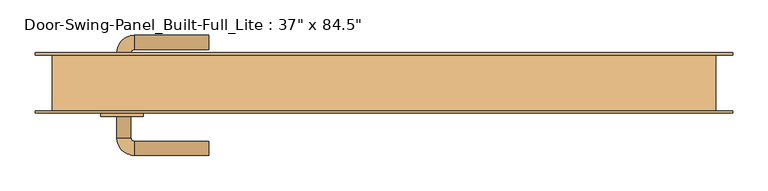
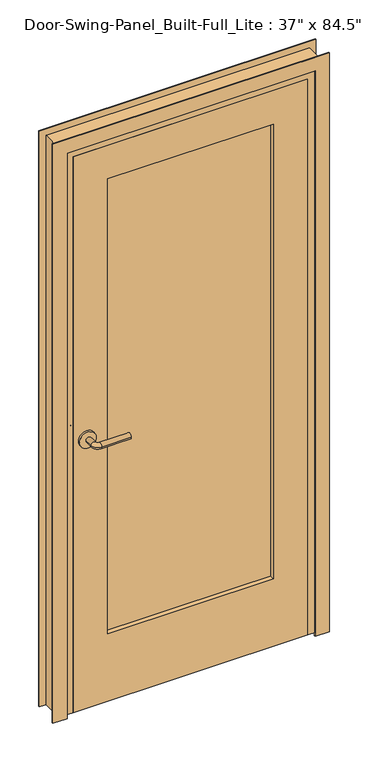
"""IFC4 building model written with IfcOpenShell, lengths in millimetres: door geometry."""

from ifc_helpers import new_model, si_unit, point, frame, frame_2d, origin, place, context, project, spatial, polyline, circle_curve, ellipse_curve, trimmed, segment, composite_curve, outline, extrude, faceted_brep, source, transform, mapped, element, save
from ifc_brep_helpers import plane_surface, cylinder_surface, revolved_surface, advanced_brep


def door_44aefc4b(model_context):
    return source(origin(), model_context, "Body", "SolidModel", [
        advanced_brep(
        [(-378.3, 6.4125, 1016.0), (-358.3, 6.4125, 1016.0), (-378.3, 36.4125, 1016.0), (-358.3, 36.4125, 1016.0), (-353.3, 41.4125, 1016.0), (-353.3, 61.4125, 1016.0), (-248.3, 61.4125, 1016.0), (-248.3, 41.4125, 1016.0)],
        [
            (0, 1, circle_curve(frame((-368.3, 6.4125, 1016.0), z_axis=(0.0, -1.0, 0.0), x_axis=(1.0, 0.0, 0.0)), 10.0)),
            (1, 0, circle_curve(frame((-368.3, 6.4125, 1016.0), z_axis=(0.0, -1.0, 0.0), x_axis=(1.0, 0.0, 0.0)), 10.0)),
            (0, 2),
            (2, 3, circle_curve(frame((-368.3, 36.4125, 1016.0), z_axis=(0.0, -1.0, 0.0), x_axis=(1.0, 0.0, 0.0)), 10.0)),
            (3, 1),
            (3, 2, circle_curve(frame((-368.3, 36.4125, 1016.0), z_axis=(0.0, -1.0, 0.0), x_axis=(1.0, 0.0, 0.0)), 10.0)),
            (4, 3, circle_curve(frame((-353.3, 36.4125, 1016.0), z_axis=(0.0, 0.0, 1.0), x_axis=(-1.0, 0.0, 0.0)), 5.0)),
            (2, 5, circle_curve(frame((-353.3, 36.4125, 1016.0), z_axis=(0.0, 0.0, -1.0), x_axis=(-1.0, 0.0, 0.0)), 25.0)),
            (5, 4, circle_curve(frame((-353.3, 51.4125, 1016.0), z_axis=(-1.0, 0.0, 0.0), x_axis=(0.0, -1.0, 0.0)), 10.0)),
            (4, 5, circle_curve(frame((-353.3, 51.4125, 1016.0), z_axis=(-1.0, 0.0, 0.0), x_axis=(0.0, -1.0, 0.0)), 10.0)),
            (6, 7, circle_curve(frame((-248.3, 51.4125, 1016.0), z_axis=(1.0, 0.0, 0.0), x_axis=(0.0, -1.0, 0.0)), 10.0)),
            (7, 6, circle_curve(frame((-248.3, 51.4125, 1016.0), z_axis=(1.0, 0.0, 0.0), x_axis=(0.0, -1.0, 0.0)), 10.0)),
            (5, 6),
            (7, 4),
        ],
        [
            plane_surface(frame((-368.3, 6.4125, 1016.0), z_axis=(0.0, -1.0, 0.0), x_axis=(0.0, 0.0, 1.0))),
            cylinder_surface(frame((-368.3, 6.4125, 1016.0), z_axis=(0.0, -1.0, 0.0), x_axis=(1.0, 0.0, 0.0)), 10.0),
            revolved_surface(trimmed(ellipse_curve(frame((-368.3, 36.4125, 1016.0), z_axis=(0.0, -1.0, 0.0), x_axis=(1.0, 0.0, 0.0)), 10.0, 10.0), [point((-378.3, 36.4125, 1016.0))], [point((-358.3, 36.4125, 1016.0))], True, "CARTESIAN"), (-353.3, 36.4125, 1016.0), (0.0, 0.0, -1.0)),
            revolved_surface(trimmed(ellipse_curve(frame((-368.3, 36.4125, 1016.0), z_axis=(0.0, -1.0, 0.0), x_axis=(1.0, 0.0, 0.0)), 10.0, 10.0), [point((-358.3, 36.4125, 1016.0))], [point((-378.3, 36.4125, 1016.0))], True, "CARTESIAN"), (-353.3, 36.4125, 1016.0), (0.0, 0.0, -1.0)),
            plane_surface(frame((-248.3, 51.4125, 1016.0), z_axis=(1.0, 0.0, 0.0), x_axis=(0.0, 0.0, 1.0))),
            cylinder_surface(frame((-353.3, 51.4125, 1016.0), z_axis=(-1.0, 0.0, 0.0), x_axis=(0.0, -1.0, 0.0)), 10.0),
        ],
        [
            (0, [[1, 2]]),
            (1, [[-1, 3, 4, 5]]),
            (1, [[-2, -5, 6, -3]]),
            (2, [[7, -4, 8, 9]]),
            (3, [[-8, -6, -7, 10]]),
            (4, [[11, 12]]),
            (5, [[-9, 13, -12, 14]]),
            (5, [[-10, -14, -11, -13]]),
        ],
    ),
        extrude(outline(composite_curve([segment(trimmed(circle_curve(frame_2d((1016.0, -370.8)), 30.0), [point((1016.0, -400.8))], [point((1016.0, -340.8))], False, "CARTESIAN"), True, "CONTINUOUS"), segment(trimmed(circle_curve(frame_2d((1016.0, -370.8)), 30.0), [point((1016.0, -340.8))], [point((1016.0, -400.8))], False, "CARTESIAN"), True, "CONTINUOUS")], self_intersect=False)), frame((0.0, -1.5875, 0.0), z_axis=(0.0, 1.0, 0.0), x_axis=(0.0, 0.0, 1.0)), (0.0, 0.0, 1.0), 8.0),
        advanced_brep(
        [(-378.3, -54.0375, 1016.0), (-358.3, -54.0375, 1016.0), (-358.3, -84.0375, 1016.0), (-378.3, -84.0375, 1016.0), (-353.3, -89.0375, 1016.0), (-353.3, -109.0375, 1016.0), (-248.3, -109.0375, 1016.0), (-248.3, -89.0375, 1016.0)],
        [
            (0, 1, circle_curve(frame((-368.3, -54.0375, 1016.0), z_axis=(0.0, 1.0, 0.0), x_axis=(1.0, 0.0, 0.0)), 10.0)),
            (1, 0, circle_curve(frame((-368.3, -54.0375, 1016.0), z_axis=(0.0, 1.0, 0.0), x_axis=(1.0, 0.0, 0.0)), 10.0)),
            (1, 2),
            (2, 3, circle_curve(frame((-368.3, -84.0375, 1016.0), z_axis=(0.0, 1.0, 0.0), x_axis=(1.0, 0.0, 0.0)), 10.0)),
            (3, 0),
            (3, 2, circle_curve(frame((-368.3, -84.0375, 1016.0), z_axis=(0.0, 1.0, 0.0), x_axis=(1.0, 0.0, 0.0)), 10.0)),
            (4, 5, circle_curve(frame((-353.3, -99.0375, 1016.0), z_axis=(-1.0, 0.0, 0.0), x_axis=(0.0, 1.0, 0.0)), 10.0)),
            (5, 3, circle_curve(frame((-353.3, -84.0375, 1016.0), z_axis=(0.0, 0.0, -1.0), x_axis=(-1.0, 0.0, 0.0)), 25.0)),
            (2, 4, circle_curve(frame((-353.3, -84.0375, 1016.0), z_axis=(0.0, 0.0, 1.0), x_axis=(-1.0, 0.0, 0.0)), 5.0)),
            (5, 4, circle_curve(frame((-353.3, -99.0375, 1016.0), z_axis=(-1.0, 0.0, 0.0), x_axis=(0.0, 1.0, 0.0)), 10.0)),
            (6, 7, circle_curve(frame((-248.3, -99.0375, 1016.0), z_axis=(1.0, 0.0, 0.0), x_axis=(0.0, 1.0, 0.0)), 10.0)),
            (7, 6, circle_curve(frame((-248.3, -99.0375, 1016.0), z_axis=(1.0, 0.0, 0.0), x_axis=(0.0, 1.0, 0.0)), 10.0)),
            (4, 7),
            (6, 5),
        ],
        [
            plane_surface(frame((-368.3, -54.0375, 1016.0), z_axis=(0.0, 1.0, 0.0), x_axis=(0.0, 0.0, 1.0))),
            cylinder_surface(frame((-368.3, -54.0375, 1016.0), z_axis=(0.0, 1.0, 0.0), x_axis=(1.0, 0.0, 0.0)), 10.0),
            revolved_surface(trimmed(ellipse_curve(frame((-368.3, -84.0375, 1016.0), z_axis=(0.0, -1.0, 0.0), x_axis=(1.0, 0.0, 0.0)), 10.0, 10.0), [point((-378.3, -84.0375, 1016.0))], [point((-358.3, -84.0375, 1016.0))], True, "CARTESIAN"), (-353.3, -84.0375, 1016.0), (0.0, 0.0, -1.0)),
            revolved_surface(trimmed(ellipse_curve(frame((-368.3, -84.0375, 1016.0), z_axis=(0.0, -1.0, 0.0), x_axis=(1.0, 0.0, 0.0)), 10.0, 10.0), [point((-358.3, -84.0375, 1016.0))], [point((-378.3, -84.0375, 1016.0))], True, "CARTESIAN"), (-353.3, -84.0375, 1016.0), (0.0, 0.0, -1.0)),
            plane_surface(frame((-248.3, -99.0375, 1016.0), z_axis=(1.0, 0.0, 0.0), x_axis=(0.0, 0.0, 1.0))),
            cylinder_surface(frame((-353.3, -99.0375, 1016.0), z_axis=(-1.0, 0.0, 0.0), x_axis=(0.0, 1.0, 0.0)), 10.0),
        ],
        [
            (0, [[1, 2]]),
            (1, [[3, 4, 5, -2]]),
            (1, [[-5, 6, -3, -1]]),
            (2, [[7, 8, -4, 9]]),
            (3, [[10, -9, -6, -8]]),
            (4, [[11, 12]]),
            (5, [[13, -11, 14, -7]]),
            (5, [[-14, -12, -13, -10]]),
        ],
    ),
        extrude(outline(composite_curve([segment(trimmed(circle_curve(frame_2d((1016.0, -370.8)), 30.0), [point((1016.0, -400.8))], [point((1016.0, -340.8))], False, "CARTESIAN"), True, "CONTINUOUS"), segment(trimmed(circle_curve(frame_2d((1016.0, -370.8)), 30.0), [point((1016.0, -340.8))], [point((1016.0, -400.8))], False, "CARTESIAN"), True, "CONTINUOUS")], self_intersect=False)), frame((0.0, -54.0375, 0.0), z_axis=(0.0, 1.0, 0.0), x_axis=(0.0, 0.0, 1.0)), (0.0, 0.0, 1.0), 8.0),
        extrude(outline(polyline([(-306.1009064, -27.9875799), (-306.1009064, -17.7005799), (306.1009064, -17.7005799), (306.1009064, -27.9875799), (-306.1009064, -27.9875799)])), frame((0.0, 0.0, 243.4336), z_axis=(0.0, 0.0, 1.0), x_axis=(1.0, 0.0, 0.0)), (0.0, 0.0, 1.0), 1735.6328),
        faceted_brep([(442.9128941, -49.2128264, -12.7), (442.9128941, -46.0375, -12.7), (493.7128941, -46.0375, -12.7), (493.7128941, -49.2128264, -12.7), (493.7128941, -49.2128264, 2170.1128941), (-493.7128941, -49.2128264, 2170.1128941), (-493.7128941, -49.2128264, -12.7), (-442.9128941, -49.2128264, -12.7), (-442.9128941, -49.2128264, 2119.3128941), (442.9128941, -49.2128264, 2119.3128941), (493.7128941, -46.0375, 2170.1128941), (442.9128941, -46.0375, 0.0), (469.9, -46.0375, 0.0), (469.9, -46.0375, 2146.3), (-469.9, -46.0375, 2146.3), (-469.9, -46.0375, 0.0), (-442.9128941, -46.0375, 0.0), (-442.9128941, -46.0375, -12.7), (-493.7128941, -46.0375, -12.7), (-493.7128941, -46.0375, 2170.1128941), (469.9, 33.3375, 0.0), (469.9, 33.3375, 2146.3), (493.7128941, 33.3375, 0.0), (493.7128941, 33.3375, 2170.1128941), (-493.7128941, 33.3375, 2170.1128941), (-493.7128941, 33.3375, 0.0), (-469.9, 33.3375, 0.0), (-469.9, 33.3375, 2146.3), (493.7128941, 36.5118471, 0.0), (493.7128941, 36.5118471, 2170.1128941), (442.9128941, 36.5118471, 0.0), (442.9128941, 36.5118471, 2119.3128941), (-442.9128941, 36.5118471, 2119.3128941), (-442.9128941, 36.5118471, 0.0), (-493.7128941, 36.5118471, 0.0), (-493.7128941, 36.5118471, 2170.1128941), (442.9128941, 33.3375, 0.0), (442.9128941, 33.3375, 2119.3128941), (419.6083941, 33.3375, 0.0), (419.6083941, 33.3375, 2096.0083941), (-419.6083941, 33.3375, 2096.0083941), (-419.6083941, 33.3375, 0.0), (-442.9128941, 33.3375, 0.0), (-442.9128941, 33.3375, 2119.3128941), (419.6083941, -46.0375, 0.0), (419.6083941, -46.0375, 2096.0083941), (442.9128941, -46.0375, 2119.3128941), (-442.9128941, -46.0375, 2119.3128941), (-419.6083941, -46.0375, 0.0), (-419.6083941, -46.0375, 2096.0083941)], [[[0, 1, 2, 3]], [[3, 4, 5, 6, 7, 8, 9, 0]], [[10, 4, 3, 2]], [[10, 2, 1, 11, 12, 13, 14, 15, 16, 17, 18, 19]], [[13, 12, 20, 21]], [[21, 20, 22, 23, 24, 25, 26, 27]], [[23, 22, 28, 29]], [[29, 28, 30, 31, 32, 33, 34, 35]], [[31, 30, 36, 37]], [[37, 36, 38, 39, 40, 41, 42, 43]], [[39, 38, 44, 45]], [[45, 44, 11, 46, 47, 16, 48, 49]], [[0, 9, 46, 11, 1]], [[7, 17, 16, 47, 8]], [[6, 18, 17, 7]], [[5, 19, 18, 6]], [[27, 26, 15, 14]], [[35, 34, 25, 24]], [[43, 42, 33, 32]], [[49, 48, 41, 40]], [[4, 10, 19, 5]], [[13, 21, 27, 14]], [[23, 29, 35, 24]], [[31, 37, 43, 32]], [[39, 45, 49, 40]], [[8, 47, 46, 9]], [[11, 44, 38, 36, 30, 28, 22, 20, 12]], [[15, 26, 25, 34, 33, 42, 41, 48, 16]]]),
        faceted_brep([(-419.6083941, -1.5875, 0.0), (419.6083941, -1.5875, 0.0), (419.6083941, -46.0375, 0.0), (-419.6083941, -46.0375, 0.0), (-419.6083941, -1.5875, 2096.0083941), (-419.6083941, -46.0375, 2096.0083941), (419.6083941, -46.0375, 2096.0083941), (-295.5345064, -46.0375, 254.0), (-295.5345064, -46.0375, 1968.5), (295.5345064, -46.0375, 1968.5), (295.5345064, -46.0375, 254.0), (419.6083941, -1.5875, 2096.0083941), (-313.0483921, -1.5875, 1986.0138857), (-313.0483921, -1.5875, 236.4861143), (313.0483921, -1.5875, 236.4861143), (313.0483921, -1.5875, 1986.0138857), (-295.5345064, -27.9875799, 1968.5), (-295.5345064, -27.9875799, 254.0), (-306.1009064, -27.9875799, 243.4336), (-306.1009064, -27.9875799, 1979.0664), (306.1009064, -27.9875799, 1979.0664), (306.1009064, -27.9875799, 243.4336), (295.5345064, -27.9875799, 254.0), (295.5345064, -27.9875799, 1968.5), (313.0483921, -15.8872986, 1986.0138857), (313.0483921, -15.8872986, 236.4861143), (-313.0483921, -15.8872986, 236.4861143), (-313.0483921, -15.8872986, 1986.0138857), (-295.5345064, -15.8872986, 1968.5), (-295.5345064, -15.8872986, 254.0), (295.5345064, -15.8872986, 254.0), (295.5345064, -15.8872986, 1968.5), (295.5345064, -17.7005799, 1968.5), (295.5345064, -17.7005799, 254.0), (-295.5345064, -17.7005799, 254.0), (-295.5345064, -17.7005799, 1968.5), (-306.1009064, -17.7005799, 1979.0664), (-306.1009064, -17.7005799, 243.4336), (306.1009064, -17.7005799, 243.4336), (306.1009064, -17.7005799, 1979.0664)], [[[0, 1, 2, 3]], [[4, 0, 3, 5]], [[2, 6, 5, 3], [7, 8, 9, 10]], [[6, 2, 1, 11]], [[11, 1, 0, 4], [12, 13, 14, 15]], [[16, 8, 7, 17]], [[18, 19, 20, 21], [17, 22, 23, 16]], [[17, 7, 10, 22]], [[22, 10, 9, 23]], [[24, 15, 14, 25]], [[13, 26, 25, 14]], [[12, 27, 26, 13]], [[27, 24, 25, 26], [28, 29, 30, 31]], [[32, 31, 30, 33]], [[33, 30, 29, 34]], [[28, 35, 34, 29]], [[36, 37, 38, 39], [35, 32, 33, 34]], [[20, 39, 38, 21]], [[21, 38, 37, 18]], [[36, 19, 18, 37]], [[5, 6, 11, 4]], [[23, 9, 8, 16]], [[15, 24, 27, 12]], [[35, 28, 31, 32]], [[19, 36, 39, 20]]]),
    ])


if __name__ == "__main__":
    model = new_model("IFC4")
    model_context = context("Model", 3, world=origin())
    ifc_project = project(units=[si_unit("LENGTHUNIT", "METRE", prefix="MILLI")], contexts=[model_context])
    site = spatial("IfcSite", under=ifc_project)
    building = spatial("IfcBuilding", under=site)
    placement = place(None, origin())
    door_shape = door_44aefc4b(model_context)
    element("IfcDoor", 1, ObjectType="Door-Swing-Panel_Built-Full_Lite : 37\" x 84.5\"", at=placement, inside=building, context=model_context, shape_type="MappedRepresentation", body=[
        mapped(door_shape, transform((0.0, 0.0, 0.0), x_axis=(1.0, 0.0, 0.0), y_axis=(0.0, 1.0, 0.0), z_axis=(0.0, 0.0, 1.0))),
    ])
    save(model, "model.ifc")
